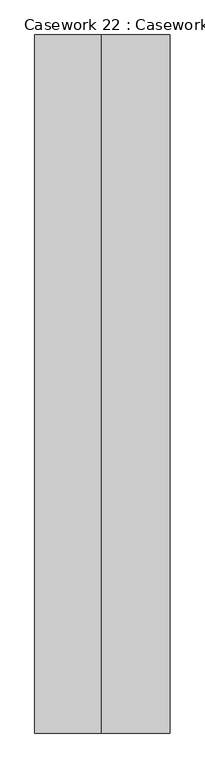
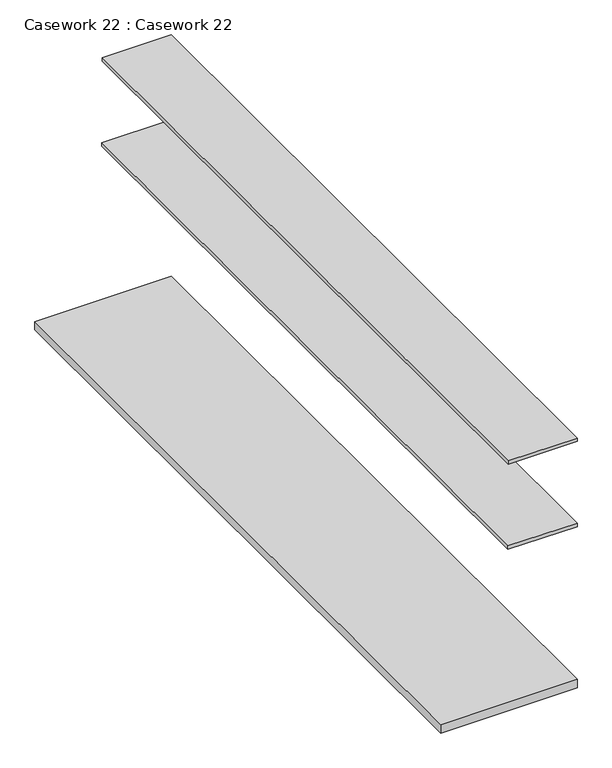
"""IFC4 building model written with IfcOpenShell, lengths in millimetres: furniture geometry, Casework 22 : Casework 22."""

from ifc_helpers import new_model, si_unit, frame, origin, place, context, project, spatial, polyline, outline, extrude, source, transform, mapped, element, save


def casework_22_casework_22_39bd2f55(model_context):
    return source(origin(), model_context, "Body", "SweptSolid", [
        extrude(outline(polyline([(-21454.7015147, 5146.1982849), (-21776.5546442, 5146.1982849), (-21776.5546442, 8422.0759502), (-21454.7015147, 8422.0759502), (-21454.7015147, 5146.1982849)])), frame((0.0, 0.0, -4733.1554121), z_axis=(0.0, 0.0, 1.0), x_axis=(1.0, 0.0, 0.0)), (0.0, 0.0, 1.0), 16.3082708),
        extrude(outline(polyline([(-21454.7015147, 5146.1982849), (-21777.7048454, 5146.1982849), (-21777.7048454, 8422.0759502), (-21454.7015147, 8422.0759502), (-21454.7015147, 5146.1982849)])), frame((0.0, 0.0, -5153.0028637), z_axis=(0.0, 0.0, 1.0), x_axis=(1.0, 0.0, 0.0)), (0.0, 0.0, 1.0), 17.3376724),
        extrude(outline(polyline([(-21454.7015147, 5146.1982849), (-22090.4206629, 5146.1982849), (-22090.4206629, 8422.0759502), (-21454.7015147, 8422.0759502), (-21454.7015147, 5146.1982849)])), frame((0.0, 0.0, -5948.4076931), z_axis=(0.0, 0.0, 1.0), x_axis=(1.0, 0.0, 0.0)), (0.0, 0.0, 1.0), 41.5646163),
    ])


if __name__ == "__main__":
    model = new_model("IFC4")
    model_context = context("Model", 3, world=origin())
    ifc_project = project(units=[si_unit("LENGTHUNIT", "METRE", prefix="MILLI")], contexts=[model_context])
    site = spatial("IfcSite", under=ifc_project)
    building = spatial("IfcBuilding", under=site)
    placement = place(None, origin())
    casework_22_casework_22_shape = casework_22_casework_22_39bd2f55(model_context)
    element("IfcFurniture", 1, ObjectType="Casework 22 : Casework 22", at=placement, inside=building, context=model_context, shape_type="MappedRepresentation", body=[
        mapped(casework_22_casework_22_shape, transform((0.0, 0.0, 0.0), x_axis=(1.0, 0.0, 0.0), y_axis=(0.0, 1.0, 0.0), z_axis=(0.0, 0.0, 1.0))),
    ])
    save(model, "model.ifc")
